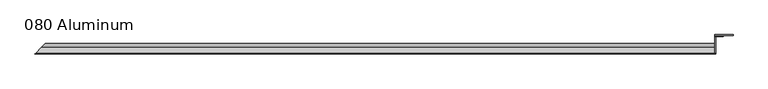
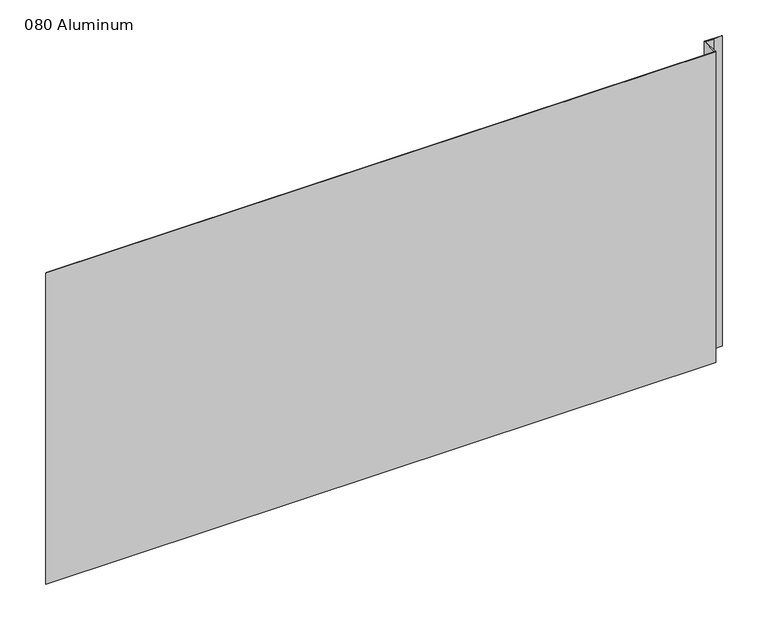
"""IFC4 building model written with IfcOpenShell, lengths in millimetres: plate geometry, 080 Aluminum."""

from ifc_helpers import new_model, si_unit, frame, origin, origin_with_axes, place, context, project, spatial, polyline, circle_curve, ellipse_curve, outline, extrude, source, transform, mapped, element, save
from ifc_brep_helpers import plane_surface, cylinder_surface, revolved_surface, advanced_brep


def plate_080_aluminum_410613df(model_context):
    return source(origin(), model_context, "Body", "SolidModel", [
        advanced_brep(
        [(608.0252, -16.6765477, 13.1458337), (608.0252, -23.0264743, 13.124237), (608.0252, -23.0264743, 1.2693678), (608.0252, -34.7980002, 1.2693678), (608.0252, -34.7980002, 0.0), (608.0252, -21.7564743, 0.0), (608.0252, -21.7564743, 13.124237), (608.0252, -17.9464915, 13.1323356), (608.0252, -17.9464915, 2.786437), (608.0252, -16.6765477, 2.786437), (-638.6717477, -16.6765477, 2.786437), (-638.6717477, -16.6765477, 13.1458337), (-639.9416915, -17.9464915, 2.786437), (-639.9416915, -17.9464915, 13.1323356), (-643.7516743, -21.7564743, 13.124237), (-643.7516743, -21.7564743, 0.0), (-656.7932, -34.7980002, 0.0), (-656.7932, -34.7980002, 1.2693678), (-645.0216743, -23.0264743, 1.2693678), (-645.0216743, -23.0264743, 13.124237)],
        [
            (0, 1, circle_curve(frame((608.0252, -19.8514743, 13.124237), z_axis=(1.0, 0.0, 0.0), x_axis=(0.0, 0.0, -1.0)), 3.175)),
            (1, 2),
            (2, 3),
            (3, 4),
            (4, 5),
            (5, 6),
            (6, 7, circle_curve(frame((608.0252, -19.8514743, 13.124237), z_axis=(-1.0, 0.0, 0.0), x_axis=(0.0, 0.0, -1.0)), 1.905)),
            (7, 8),
            (8, 9),
            (9, 0),
            (9, 10),
            (10, 11),
            (11, 0),
            (8, 12),
            (12, 10),
            (7, 13),
            (13, 12),
            (6, 14),
            (14, 13, ellipse_curve(frame((-641.8466743, -19.8514743, 13.124237), z_axis=(-0.7071067811865468, 0.7071067811865483, 0.0), x_axis=(0.7071067811865482, 0.7071067811865468, 0.0)), 2.6940768, 1.905)),
            (5, 15),
            (15, 14),
            (4, 16),
            (16, 15),
            (3, 17),
            (17, 16),
            (2, 18),
            (18, 17),
            (1, 19),
            (19, 18),
            (11, 19, ellipse_curve(frame((-641.8466743, -19.8514743, 13.124237), z_axis=(0.7071067811865468, -0.7071067811865483, 0.0), x_axis=(-0.7071067811865482, -0.7071067811865468, 0.0)), 4.4901281, 3.175)),
        ],
        [
            plane_surface(frame((608.0252, -36.068, 0.0), z_axis=(1.0, 0.0, 0.0), x_axis=(0.0, 0.0, 1.0))),
            plane_surface(frame((-656.7932, -16.6765477, 13.1458337), z_axis=(0.0, 1.0, 0.0), x_axis=(1.0, 0.0, 0.0))),
            plane_surface(frame((-656.7932, -16.6765477, 2.786437), z_axis=(0.0, 0.0, -1.0), x_axis=(1.0, 0.0, 0.0))),
            plane_surface(frame((-656.7932, -17.9464915, 2.786437), z_axis=(0.0, -1.0, 0.0), x_axis=(1.0, 0.0, 0.0))),
            revolved_surface(polyline([(608.0252000000002, -19.8514743, 11.219237000000001), (-643.7516743, -19.8514743, 11.219237000000001)]), (-656.7932, -19.8514743, 13.124237), (1.0, 0.0, 0.0)),
            plane_surface(frame((-656.7932, -21.7564743, 13.124237), z_axis=(0.0, 1.0, 0.0), x_axis=(1.0, 0.0, 0.0))),
            plane_surface(frame((-656.7932, -21.7564743, 0.0), z_axis=(0.0, 0.0, -1.0), x_axis=(1.0, 0.0, 0.0))),
            plane_surface(frame((-656.7932, -34.7980002, 0.0), z_axis=(0.0, -1.0, 0.0), x_axis=(1.0, 0.0, 0.0))),
            plane_surface(frame((-656.7932, -34.7980002, 1.2693678), z_axis=(0.0, 0.0, 1.0), x_axis=(1.0, 0.0, 0.0))),
            plane_surface(frame((-656.7932, -23.0264743, 1.2693678), z_axis=(0.0, -1.0, 0.0), x_axis=(1.0, 0.0, 0.0))),
            cylinder_surface(frame((-656.7932, -19.8514743, 13.124237), z_axis=(-1.0, 0.0, 0.0), x_axis=(0.0, 0.0, -1.0)), 3.175),
            plane_surface(frame((-658.0632, -36.068, 795.4549971), z_axis=(-0.7071067811865468, 0.7071067811865483, 0.0), x_axis=(0.0, 0.0, -1.0))),
        ],
        [
            (0, [[1, 2, 3, 4, 5, 6, 7, 8, 9, 10]]),
            (1, [[-10, 11, 12, 13]]),
            (2, [[-9, 14, 15, -11]]),
            (3, [[-8, 16, 17, -14]]),
            (4, [[-7, 18, 19, -16]]),
            (5, [[-6, 20, 21, -18]]),
            (6, [[-5, 22, 23, -20]]),
            (7, [[-4, 24, 25, -22]]),
            (8, [[-3, 26, 27, -24]]),
            (9, [[-2, 28, 29, -26]]),
            (10, [[-1, -13, 30, -28]]),
            (11, [[-12, -15, -17, -19, -21, -23, -25, -27, -29, -30]]),
        ],
    ),
        extrude(outline(polyline([(609.2952, -34.7980001), (609.2952, -36.068), (-658.0632, -36.068), (-656.7932001, -34.7980001), (609.2952, -34.7980001)])), origin_with_axes(), (0.0, 0.0, 1.0), 622.3),
        extrude(outline(polyline([(609.2952, -1.2699999), (609.2952, -34.7980002), (608.0252001, -34.7980002), (608.0252001, 0.0), (641.8072856, 0.0), (641.8072856, -1.2699999), (609.2952, -1.2699999)])), origin_with_axes(), (0.0, 0.0, 1.0), 621.03),
        extrude(outline(polyline([(608.0252, -3.3274743), (608.0252, -2.0574743), (623.7731999, -2.0574743), (623.7731999, -3.3274743), (608.0252, -3.3274743)])), origin_with_axes(), (0.0, 0.0, 1.0), 622.3),
    ])


if __name__ == "__main__":
    model = new_model("IFC4")
    model_context = context("Model", 3, world=origin())
    ifc_project = project(units=[si_unit("LENGTHUNIT", "METRE", prefix="MILLI")], contexts=[model_context])
    site = spatial("IfcSite", under=ifc_project)
    building = spatial("IfcBuilding", under=site)
    placement = place(None, origin())
    plate_080_aluminum_shape = plate_080_aluminum_410613df(model_context)
    element("IfcPlate", 1, ObjectType="080 Aluminum", at=placement, inside=building, context=model_context, shape_type="MappedRepresentation", body=[
        mapped(plate_080_aluminum_shape, transform((0.0, 0.0, 0.0), x_axis=(1.0, 0.0, 0.0), y_axis=(0.0, 1.0, 0.0), z_axis=(0.0, 0.0, 1.0))),
    ])
    save(model, "model.ifc")
